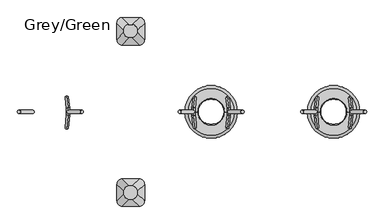
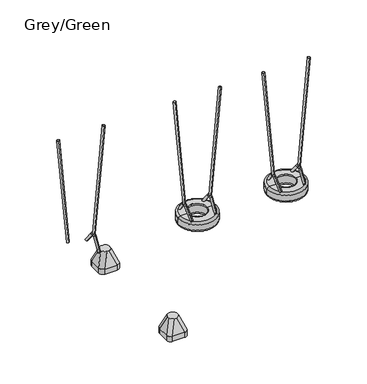
"""IFC4 building model written with IfcOpenShell, lengths in millimetres: furniture geometry, Grey/Green."""

from ifc_helpers import new_model, si_unit, point, frame, frame_2d, origin, place, context, project, spatial, circle_curve, ellipse_curve, trimmed, segment, composite_curve, outline, extrude, source, transform, mapped, element, save
from ifc_brep_helpers import plane_surface, cylinder_surface, revolved_surface, extruded_surface, advanced_brep


def grey_green_7bcf484c(model_context):
    return source(origin(), model_context, "Body", "SolidModel", [
        advanced_brep(
        [(1488.0, 727.5, -604.0), (1428.0, 787.5, -604.0), (1428.0, 967.5, -604.0), (1488.0, 1027.5, -604.0), (1668.0, 1027.5, -604.0), (1728.0, 967.5, -604.0), (1728.0, 787.5, -604.0), (1668.0, 727.5, -604.0), (1668.0, 727.5, -526.0689494), (1488.0, 727.5, -526.0689494), (1728.0, 967.5, -526.0689494), (1728.0, 787.5, -526.0689494), (1488.0, 1027.5, -526.0689494), (1668.0, 1027.5, -526.0689494), (1428.0, 787.5, -526.0689494), (1428.0, 967.5, -526.0689494), (1586.9540451, 806.0510597, -316.0689494), (1646.9540451, 866.0510597, -316.0689494), (1646.9540451, 891.0510597, -316.0689494), (1586.9540451, 951.0510597, -316.0689494), (1561.9540451, 951.0510597, -316.0689494), (1501.9540451, 891.0510597, -316.0689494), (1501.9540451, 866.0510597, -316.0689494), (1561.9540451, 806.0510597, -316.0689494)],
        [
            (0, 1, circle_curve(frame((1488.0, 787.5, -604.0), z_axis=(0.0, 0.0, -1.0), x_axis=(-1.0, 0.0, 0.0)), 60.0)),
            (1, 2),
            (2, 3, circle_curve(frame((1488.0, 967.5, -604.0), z_axis=(0.0, 0.0, -1.0), x_axis=(-1.0, 0.0, 0.0)), 60.0)),
            (3, 4),
            (4, 5, circle_curve(frame((1668.0, 967.5, -604.0), z_axis=(0.0, 0.0, -1.0), x_axis=(-1.0, 0.0, 0.0)), 60.0)),
            (5, 6),
            (6, 7, circle_curve(frame((1668.0, 787.5, -604.0), z_axis=(0.0, 0.0, -1.0), x_axis=(-1.0, 0.0, 0.0)), 60.0)),
            (7, 0),
            (7, 8),
            (8, 9),
            (9, 0),
            (5, 10),
            (10, 11),
            (11, 6),
            (3, 12),
            (12, 13),
            (13, 4),
            (1, 14),
            (14, 15),
            (15, 2),
            (16, 17, circle_curve(frame((1586.9540451, 866.0510597, -316.0689494), z_axis=(0.0, 0.0, 1.0), x_axis=(-1.0, 0.0, 0.0)), 60.0)),
            (17, 18),
            (18, 19, circle_curve(frame((1586.9540451, 891.0510597, -316.0689494), z_axis=(0.0, 0.0, 1.0), x_axis=(-1.0, 0.0, 0.0)), 60.0)),
            (19, 20),
            (20, 21, circle_curve(frame((1561.9540451, 891.0510597, -316.0689494), z_axis=(0.0, 0.0, 1.0), x_axis=(-1.0, 0.0, 0.0)), 60.0)),
            (21, 22),
            (22, 23, circle_curve(frame((1561.9540451, 866.0510597, -316.0689494), z_axis=(0.0, 0.0, 1.0), x_axis=(-1.0, 0.0, 0.0)), 60.0)),
            (23, 16),
            (17, 11),
            (10, 18),
            (19, 13),
            (12, 20),
            (21, 15),
            (14, 22),
            (23, 9),
            (8, 16),
            (11, 8, circle_curve(frame((1668.0, 787.5, -526.0689494), z_axis=(0.0, 0.0, -1.0), x_axis=(-1.0, 0.0, 0.0)), 60.0)),
            (13, 10, circle_curve(frame((1668.0, 967.5, -526.0689494), z_axis=(0.0, 0.0, -1.0), x_axis=(-1.0, 0.0, 0.0)), 60.0)),
            (15, 12, circle_curve(frame((1488.0, 967.5, -526.0689494), z_axis=(0.0, 0.0, -1.0), x_axis=(-1.0, 0.0, 0.0)), 60.0)),
            (9, 14, circle_curve(frame((1488.0, 787.5, -526.0689494), z_axis=(0.0, 0.0, -1.0), x_axis=(-1.0, 0.0, 0.0)), 60.0)),
        ],
        [
            plane_surface(frame((1754.6329682, 727.5, -604.0), z_axis=(0.0, 0.0, -1.0), x_axis=(-1.0, 0.0, 0.0))),
            plane_surface(frame((1488.0, 727.5, -526.0689494), z_axis=(0.0, -1.0, 0.0), x_axis=(0.0, 0.0, -1.0))),
            plane_surface(frame((1728.0, 787.5, -526.0689494), z_axis=(1.0, 0.0, 0.0), x_axis=(0.0, 0.0, -1.0))),
            plane_surface(frame((1668.0, 1027.5, -526.0689494), z_axis=(0.0, 1.0, 0.0), x_axis=(0.0, 0.0, -1.0))),
            plane_surface(frame((1428.0, 967.5, -526.0689494), z_axis=(-1.0, 0.0, 0.0), x_axis=(0.0, 0.0, -1.0))),
            plane_surface(frame((1574.4540451, 878.5510597, -316.0689494), z_axis=(0.0, 0.0, 1.0), x_axis=(1.0, 0.0, 0.0))),
            plane_surface(frame((1728.0, 877.5, -526.0689494), z_axis=(0.9329330935587706, 0.0, 0.36004977842357055), x_axis=(0.0, 1.0, 0.0))),
            plane_surface(frame((1578.0, 1027.5, -526.0689494), z_axis=(0.0, 0.9396707723277333, 0.34208016550656856), x_axis=(-1.0, 0.0, 0.0))),
            plane_surface(frame((1428.0, 877.5, -526.0689494), z_axis=(-0.9432207285248213, 0.0, 0.33216661072586046), x_axis=(0.0, -1.0, 0.0))),
            plane_surface(frame((1578.0, 727.5, -526.0689494), z_axis=(0.0, -0.9366205672401335, 0.35034541958297477), x_axis=(1.0, 0.0, 0.0))),
            cylinder_surface(frame((1668.0, 787.5, -604.0), z_axis=(0.0, 0.0, 1.0), x_axis=(-1.0, 0.0, 0.0)), 60.0),
            cylinder_surface(frame((1668.0, 967.5, -604.0), z_axis=(0.0, 0.0, 1.0), x_axis=(-1.0, 0.0, 0.0)), 60.0),
            cylinder_surface(frame((1488.0, 967.5, -604.0), z_axis=(0.0, 0.0, 1.0), x_axis=(-1.0, 0.0, 0.0)), 60.0),
            cylinder_surface(frame((1488.0, 787.5, -604.0), z_axis=(0.0, 0.0, 1.0), x_axis=(-1.0, 0.0, 0.0)), 60.0),
            extruded_surface(trimmed(circle_curve(frame((1668.0, 787.5, -526.0689494), z_axis=(0.0, 0.0, 1.0), x_axis=(-1.0, 0.0, 0.0)), 60.0), [point((1668.0, 727.5, -526.0689494))], [point((1728.0, 787.5, -526.0689494))], True, "CARTESIAN"), (-81.04595489999997, 78.5510597, 209.99999999999994), 238.40871583406042),
            extruded_surface(trimmed(circle_curve(frame((1488.0, 787.5, -526.0689494), z_axis=(0.0, 0.0, 1.0), x_axis=(-1.0, 0.0, 0.0)), 60.0), [point((1428.0, 787.5, -526.0689494))], [point((1488.0, 727.5, -526.0689494))], True, "CARTESIAN"), (73.95404510000003, 78.5510597, 209.99999999999994), 236.0920790002193),
            extruded_surface(trimmed(circle_curve(frame((1668.0, 967.5, -526.0689494), z_axis=(0.0, 0.0, 1.0), x_axis=(-1.0, 0.0, 0.0)), 60.0), [point((1728.0, 967.5, -526.0689494))], [point((1668.0, 1027.5, -526.0689494))], True, "CARTESIAN"), (-81.04595489999997, -76.4489403, 209.99999999999994), 237.72439352882105),
            extruded_surface(trimmed(circle_curve(frame((1488.0, 967.5, -526.0689494), z_axis=(0.0, 0.0, 1.0), x_axis=(-1.0, 0.0, 0.0)), 60.0), [point((1488.0, 1027.5, -526.0689494))], [point((1428.0, 967.5, -526.0689494))], True, "CARTESIAN"), (73.95404510000003, -76.4489403, 209.99999999999994), 235.4010222145303),
        ],
        [
            (0, [[1, 2, 3, 4, 5, 6, 7, 8]]),
            (1, [[-8, 9, 10, 11]]),
            (2, [[-6, 12, 13, 14]]),
            (3, [[-4, 15, 16, 17]]),
            (4, [[-2, 18, 19, 20]]),
            (5, [[21, 22, 23, 24, 25, 26, 27, 28]]),
            (6, [[-22, 29, -13, 30]]),
            (7, [[-24, 31, -16, 32]]),
            (8, [[-26, 33, -19, 34]]),
            (9, [[-28, 35, -10, 36]]),
            (10, [[-7, -14, 37, -9]]),
            (11, [[-5, -17, 38, -12]]),
            (12, [[-3, -20, 39, -15]]),
            (13, [[-1, -11, 40, -18]]),
            (14, [[-21, -36, -37, -29]]),
            (15, [[-27, -34, -40, -35]]),
            (16, [[-23, -30, -38, -31]]),
            (17, [[-25, -32, -39, -33]]),
        ],
    ),
        extrude(outline(composite_curve([segment(trimmed(circle_curve(frame_2d((1.4321269, 0.0)), 18.0), [point((1.4321269, 18.0))], [point((1.4321269, -18.0))], False, "CARTESIAN"), True, "CONTINUOUS"), segment(trimmed(circle_curve(frame_2d((1.4321269, 0.0)), 18.0), [point((1.4321269, -18.0))], [point((1.4321269, 18.0))], False, "CARTESIAN"), True, "CONTINUOUS")], self_intersect=False)), frame((3587.1509993, 0.0, 686.6778156), z_axis=(-0.08715574274765649, 0.0, 0.9961946980917457), x_axis=(-0.9961946980917457, 0.0, -0.08715574274765649)), (0.0, 0.0, 1.0), 1665.0),
        extrude(outline(composite_curve([segment(trimmed(circle_curve(frame_2d((1.4321269, 0.0)), 18.0), [point((1.4321269, 18.0))], [point((1.4321269, -18.0))], False, "CARTESIAN"), True, "CONTINUOUS"), segment(trimmed(circle_curve(frame_2d((1.4321269, 0.0)), 18.0), [point((1.4321269, -18.0))], [point((1.4321269, 18.0))], False, "CARTESIAN"), True, "CONTINUOUS")], self_intersect=False)), frame((3973.8490007, 0.0, 686.6778156), z_axis=(0.08715574274767696, 0.0, 0.9961946980917439), x_axis=(0.9961946980917439, 0.0, -0.08715574274767696)), (0.0, 0.0, 1.0), 1665.0),
        advanced_brep(
        [(3958.343913, 171.5929238, 509.453853), (3956.4556542, 142.8420454, 487.8709553), (3970.3767884, 22.4790408, 646.9902475), (3972.2650472, 51.2299192, 668.5731452), (3958.0847991, -188.6337903, 506.4921669), (3956.0263438, -161.4642454, 482.9639159), (3972.5557994, -44.3008039, 671.896457), (3970.4973441, -17.131259, 648.3682061)],
        [
            (0, 1, circle_curve(frame((3957.3997836, 157.2174846, 498.6624042), z_axis=(-0.06960567106284149, 0.6018150231520505, -0.7955964608169073), x_axis=(-0.05245163533952736, -0.7986355100472913, -0.5995249352960328)), 18.0)),
            (1, 0, circle_curve(frame((3957.3997836, 157.2174846, 498.6624042), z_axis=(-0.06960567106284149, 0.6018150231520505, -0.7955964608169073), x_axis=(-0.05245163533952736, -0.7986355100472913, -0.5995249352960328)), 18.0)),
            (1, 2),
            (2, 3, circle_curve(frame((3971.3209178, 36.85448, 657.7816963), z_axis=(-0.06960567106284149, 0.6018150231520505, -0.7955964608169073), x_axis=(-0.05245163533952736, -0.7986355100472913, -0.5995249352960328)), 18.0)),
            (3, 0),
            (3, 2, circle_curve(frame((3971.3209178, 36.85448, 657.7816963), z_axis=(-0.06960567106284149, 0.6018150231520505, -0.7955964608169073), x_axis=(-0.05245163533952736, -0.7986355100472913, -0.5995249352960328)), 18.0)),
            (4, 5, circle_curve(frame((3957.0555715, -175.0490178, 494.7280414), z_axis=(-0.06577727402310152, -0.6560590289905275, -0.7518376824169539), x_axis=(-0.0571793119579891, 0.7547095802227545, -0.6535625263155811)), 18.0)),
            (5, 4, circle_curve(frame((3957.0555715, -175.0490178, 494.7280414), z_axis=(-0.06577727402310152, -0.6560590289905275, -0.7518376824169539), x_axis=(-0.0571793119579891, 0.7547095802227545, -0.6535625263155811)), 18.0)),
            (6, 7, circle_curve(frame((3971.5265717, -30.7160315, 660.1323315), z_axis=(-0.06577727402310152, -0.6560590289905275, -0.7518376824169539), x_axis=(-0.0571793119579891, 0.7547095802227545, -0.6535625263155811)), 18.0)),
            (7, 5),
            (4, 6),
            (7, 6, circle_curve(frame((3971.5265717, -30.7160315, 660.1323315), z_axis=(-0.06577727402310152, -0.6560590289905275, -0.7518376824169539), x_axis=(-0.0571793119579891, 0.7547095802227545, -0.6535625263155811)), 18.0)),
            (7, 2, circle_curve(frame((3969.0392717, 2.1138353, 631.7023617), z_axis=(-0.9961946980917439, 0.0, 0.08715574274767696), x_axis=(0.0524516353395274, 0.7986355100472908, 0.5995249352960332)), 25.5)),
            (3, 6, circle_curve(frame((3969.0392717, 2.1138353, 631.7023617), z_axis=(0.9961946980917439, 0.0, -0.08715574274767696), x_axis=(0.0524516353395274, 0.7986355100472908, 0.5995249352960332)), 61.5)),
        ],
        [
            plane_surface(frame((3957.3997836, 157.2174846, 498.6624042), z_axis=(-0.06960567106284149, 0.6018150231520504, -0.7955964608169073), x_axis=(0.9961946980917439, 0.0, -0.08715574274767696))),
            cylinder_surface(frame((3957.3997836, 157.2174846, 498.6624042), z_axis=(-0.06960567106284149, 0.6018150231520505, -0.7955964608169073), x_axis=(-0.05245163533952736, -0.7986355100472913, -0.5995249352960328)), 18.0),
            plane_surface(frame((3957.0555715, -175.0490178, 494.7280414), z_axis=(-0.06577727402310148, -0.6560590289905277, -0.7518376824169536), x_axis=(0.9961946980917439, 0.0, -0.08715574274767686))),
            cylinder_surface(frame((3971.5265717, -30.7160315, 660.1323315), z_axis=(0.0657772740231015, 0.6560590289905274, 0.7518376824169537), x_axis=(-0.0571793119579891, 0.7547095802227545, -0.6535625263155811)), 18.0),
            revolved_surface(trimmed(ellipse_curve(frame((3971.3209178, 36.85448, 657.7816963), z_axis=(-0.06960567106284156, 0.6018150231520512, -0.7955964608169066), x_axis=(-0.05245163533952739, -0.7986355100472906, -0.5995249352960335)), 18.0, 18.0), [point((3972.2650472, 51.2299192, 668.5731452))], [point((3970.3767884, 22.4790408, 646.9902475))], True, "CARTESIAN"), (3969.0392717, 2.1138353, 631.7023617), (0.9961946980917439, 0.0, -0.08715574274767696)),
            revolved_surface(trimmed(ellipse_curve(frame((3971.3209178, 36.85448, 657.7816963), z_axis=(-0.06960567106284156, 0.6018150231520512, -0.7955964608169066), x_axis=(-0.05245163533952739, -0.7986355100472906, -0.5995249352960335)), 18.0, 18.0), [point((3970.3767884, 22.4790408, 646.9902475))], [point((3972.2650472, 51.2299192, 668.5731452))], True, "CARTESIAN"), (3969.0392717, 2.1138353, 631.7023617), (0.9961946980917439, 0.0, -0.08715574274767696)),
        ],
        [
            (0, [[1, 2]]),
            (1, [[-2, 3, 4, 5]]),
            (1, [[-1, -5, 6, -3]]),
            (2, [[7, 8]]),
            (3, [[9, 10, -7, 11]]),
            (3, [[12, -11, -8, -10]]),
            (4, [[13, -6, 14, -12]]),
            (5, [[-14, -4, -13, -9]]),
        ],
    ),
        advanced_brep(
        [(3604.5435586, 142.8352389, 487.8799535), (3602.6552997, 171.5861173, 509.4628511), (3590.6224244, 22.4722343, 646.9992456), (3588.7341655, 51.2231127, 668.5821433), (3604.9729122, -161.4568254, 482.9724192), (3602.914457, -188.6263703, 506.5006701), (3588.4434567, -44.2933839, 671.9049602), (3590.5019119, -17.123839, 648.3767093)],
        [
            (0, 1, circle_curve(frame((3603.5994292, 157.2106781, 498.6714023), z_axis=(0.06960567106282514, 0.6018150231520504, -0.7955964608169089), x_axis=(-0.052451635339515044, 0.7986355100472914, 0.5995249352960337)), 18.0)),
            (1, 0, circle_curve(frame((3603.5994292, 157.2106781, 498.6714023), z_axis=(0.06960567106282514, 0.6018150231520504, -0.7955964608169089), x_axis=(-0.052451635339515044, 0.7986355100472914, 0.5995249352960337)), 18.0)),
            (0, 2),
            (2, 3, circle_curve(frame((3589.678295, 36.8476735, 657.7906945), z_axis=(0.06960567106282514, 0.6018150231520504, -0.7955964608169089), x_axis=(-0.052451635339515044, 0.7986355100472914, 0.5995249352960337)), 18.0)),
            (3, 1),
            (3, 2, circle_curve(frame((3589.678295, 36.8476735, 657.7906945), z_axis=(0.06960567106282514, 0.6018150231520504, -0.7955964608169089), x_axis=(-0.052451635339515044, 0.7986355100472914, 0.5995249352960337)), 18.0)),
            (4, 5, circle_curve(frame((3603.9436846, -175.0415979, 494.7365446), z_axis=(0.06577727402308613, -0.6560590289905281, -0.7518376824169546), x_axis=(-0.05717931195797577, -0.754709580222754, 0.653562526315583)), 18.0)),
            (5, 4, circle_curve(frame((3603.9436846, -175.0415979, 494.7365446), z_axis=(0.06577727402308613, -0.6560590289905281, -0.7518376824169546), x_axis=(-0.05717931195797577, -0.754709580222754, 0.653562526315583)), 18.0)),
            (6, 7, circle_curve(frame((3589.4726843, -30.7086115, 660.1408348), z_axis=(0.06577727402308613, -0.6560590289905281, -0.7518376824169546), x_axis=(-0.05717931195797577, -0.754709580222754, 0.653562526315583)), 18.0)),
            (7, 4),
            (5, 6),
            (7, 6, circle_curve(frame((3589.4726843, -30.7086115, 660.1408348), z_axis=(0.06577727402308613, -0.6560590289905281, -0.7518376824169546), x_axis=(-0.05717931195797577, -0.754709580222754, 0.653562526315583)), 18.0)),
            (6, 3, circle_curve(frame((3591.9594607, 2.1143432, 631.7168506), z_axis=(-0.9961946980917457, 0.0, -0.08715574274765649), x_axis=(-0.05245163533951502, 0.7986355100472914, 0.5995249352960336)), 61.4908414)),
            (2, 7, circle_curve(frame((3591.9594607, 2.1143432, 631.7168506), z_axis=(0.9961946980917457, 0.0, 0.08715574274765649), x_axis=(-0.05245163533951502, 0.7986355100472914, 0.5995249352960336)), 25.4908414)),
        ],
        [
            plane_surface(frame((3603.5994292, 157.2106781, 498.6714023), z_axis=(0.06960567106282513, 0.6018150231520503, -0.7955964608169087), x_axis=(-0.9961946980917457, 0.0, -0.08715574274765646))),
            cylinder_surface(frame((3603.5994292, 157.2106781, 498.6714023), z_axis=(0.06960567106282513, 0.6018150231520503, -0.7955964608169087), x_axis=(-0.052451635339515044, 0.7986355100472914, 0.5995249352960337)), 18.0),
            plane_surface(frame((3603.9436846, -175.0415979, 494.7365446), z_axis=(0.06577727402308613, -0.6560590289905281, -0.7518376824169546), x_axis=(-0.9961946980917457, 0.0, -0.08715574274765645))),
            cylinder_surface(frame((3589.4726843, -30.7086115, 660.1408348), z_axis=(-0.06577727402308613, 0.6560590289905281, 0.7518376824169546), x_axis=(-0.05717931195797577, -0.754709580222754, 0.653562526315583)), 18.0),
            revolved_surface(trimmed(ellipse_curve(frame((3589.678295, 36.8476735, 657.7906945), z_axis=(0.0696056710628252, 0.6018150231520499, -0.7955964608169088), x_axis=(-0.05245163533951503, 0.7986355100472915, 0.5995249352960333)), 18.0, 18.0), [point((3590.6224244, 22.4722343, 646.9992456))], [point((3588.7341655, 51.2231127, 668.5821433))], True, "CARTESIAN"), (3591.9594607, 2.1143432, 631.7168506), (0.9961946980917457, 0.0, 0.08715574274765649)),
            revolved_surface(trimmed(ellipse_curve(frame((3589.678295, 36.8476735, 657.7906945), z_axis=(0.0696056710628252, 0.6018150231520499, -0.7955964608169088), x_axis=(-0.05245163533951503, 0.7986355100472915, 0.5995249352960333)), 18.0, 18.0), [point((3588.7341655, 51.2231127, 668.5821433))], [point((3590.6224244, 22.4722343, 646.9992456))], True, "CARTESIAN"), (3591.9594607, 2.1143432, 631.7168506), (0.9961946980917457, 0.0, 0.08715574274765649)),
        ],
        [
            (0, [[1, 2]]),
            (1, [[-1, 3, 4, 5]]),
            (1, [[-2, -5, 6, -3]]),
            (2, [[7, 8]]),
            (3, [[9, 10, -8, 11]]),
            (3, [[12, -11, -7, -10]]),
            (4, [[13, -4, 14, -9]]),
            (5, [[-14, -6, -13, -12]]),
        ],
    ),
        advanced_brep(
        [(3494.8165246, 0.0, 390.0), (4066.1834754, 0.0, 390.0), (4036.1834754, 0.0, 360.0), (3524.8165246, 0.0, 360.0), (3524.8165246, 0.0, 510.0), (4036.1834754, 0.0, 510.0), (4066.1834754, 0.0, 480.0), (3494.8165246, 0.0, 480.0), (3635.5, 0.0, 510.0), (3925.5, 0.0, 510.0), (3635.5, 0.0, 500.0), (3925.5, 0.0, 500.0), (3635.5, 0.0, 360.0), (3925.5, 0.0, 360.0), (3925.5, 0.0, 375.0), (3635.5, 0.0, 375.0)],
        [
            (0, 1, circle_curve(frame((3780.5, 0.0, 390.0), z_axis=(0.0, 0.0, -1.0), x_axis=(1.0, 0.0, 0.0)), 285.6834754)),
            (1, 2, circle_curve(frame((4036.1834754, 0.0, 390.0), z_axis=(0.0, 1.0, 0.0), x_axis=(1.0, 0.0, 0.0)), 30.0)),
            (2, 3, circle_curve(frame((3780.5, 0.0, 360.0), z_axis=(0.0, 0.0, 1.0), x_axis=(1.0, 0.0, 0.0)), 255.6834754)),
            (3, 0, circle_curve(frame((3524.8165246, 0.0, 390.0), z_axis=(0.0, 1.0, 0.0), x_axis=(-1.0, 0.0, 0.0)), 30.0)),
            (1, 0, circle_curve(frame((3780.5, 0.0, 390.0), z_axis=(0.0, 0.0, -1.0), x_axis=(1.0, 0.0, 0.0)), 285.6834754)),
            (3, 2, circle_curve(frame((3780.5, 0.0, 360.0), z_axis=(0.0, 0.0, 1.0), x_axis=(1.0, 0.0, 0.0)), 255.6834754)),
            (4, 5, circle_curve(frame((3780.5, 0.0, 510.0), z_axis=(0.0, 0.0, -1.0), x_axis=(1.0, 0.0, 0.0)), 255.6834754)),
            (5, 6, circle_curve(frame((4036.1834754, 0.0, 480.0), z_axis=(0.0, 1.0, 0.0), x_axis=(1.0, 0.0, 0.0)), 30.0)),
            (6, 7, circle_curve(frame((3780.5, 0.0, 480.0), z_axis=(0.0, 0.0, 1.0), x_axis=(1.0, 0.0, 0.0)), 285.6834754)),
            (7, 4, circle_curve(frame((3524.8165246, 0.0, 480.0), z_axis=(0.0, 1.0, 0.0), x_axis=(-1.0, 0.0, 0.0)), 30.0)),
            (5, 4, circle_curve(frame((3780.5, 0.0, 510.0), z_axis=(0.0, 0.0, -1.0), x_axis=(1.0, 0.0, 0.0)), 255.6834754)),
            (7, 6, circle_curve(frame((3780.5, 0.0, 480.0), z_axis=(0.0, 0.0, 1.0), x_axis=(1.0, 0.0, 0.0)), 285.6834754)),
            (8, 9, circle_curve(frame((3780.5, 0.0, 510.0), z_axis=(0.0, 0.0, -1.0), x_axis=(1.0, 0.0, 0.0)), 145.0)),
            (9, 5),
            (4, 8),
            (9, 8, circle_curve(frame((3780.5, 0.0, 510.0), z_axis=(0.0, 0.0, -1.0), x_axis=(1.0, 0.0, 0.0)), 145.0)),
            (10, 11, circle_curve(frame((3780.5, 0.0, 500.0), z_axis=(0.0, 0.0, -1.0), x_axis=(1.0, 0.0, 0.0)), 145.0)),
            (11, 9, circle_curve(frame((3925.5, 0.0, 505.0), z_axis=(0.0, 1.0, 0.0), x_axis=(1.0, 0.0, 0.0)), 5.0)),
            (8, 10, circle_curve(frame((3635.5, 0.0, 505.0), z_axis=(0.0, 1.0, 0.0), x_axis=(-1.0, 0.0, 0.0)), 5.0)),
            (11, 10, circle_curve(frame((3780.5, 0.0, 500.0), z_axis=(0.0, 0.0, -1.0), x_axis=(1.0, 0.0, 0.0)), 145.0)),
            (12, 13, circle_curve(frame((3780.5, 0.0, 360.0), z_axis=(0.0, 0.0, -1.0), x_axis=(1.0, 0.0, 0.0)), 145.0)),
            (13, 14, circle_curve(frame((3929.3250415, 0.0, 367.5), z_axis=(0.0, 1.0, 0.0), x_axis=(1.0, 0.0, 0.0)), 8.4190821)),
            (14, 15, circle_curve(frame((3780.5, 0.0, 375.0), z_axis=(0.0, 0.0, 1.0), x_axis=(1.0, 0.0, 0.0)), 145.0)),
            (15, 12, circle_curve(frame((3631.6749585, 0.0, 367.5), z_axis=(0.0, 1.0, 0.0), x_axis=(-1.0, 0.0, 0.0)), 8.4190821)),
            (13, 12, circle_curve(frame((3780.5, 0.0, 360.0), z_axis=(0.0, 0.0, -1.0), x_axis=(1.0, 0.0, 0.0)), 145.0)),
            (15, 14, circle_curve(frame((3780.5, 0.0, 375.0), z_axis=(0.0, 0.0, 1.0), x_axis=(1.0, 0.0, 0.0)), 145.0)),
            (2, 13),
            (12, 3),
            (6, 1),
            (0, 7),
            (14, 11, circle_curve(frame((3925.5, 0.0, 437.5), z_axis=(0.0, -1.0, 0.0), x_axis=(-1.0, 0.0, 0.0)), 62.5)),
            (10, 15, circle_curve(frame((3635.5, 0.0, 437.5), z_axis=(0.0, -1.0, 0.0), x_axis=(1.0, 0.0, 0.0)), 62.5)),
        ],
        [
            revolved_surface(trimmed(ellipse_curve(frame((4036.1834754, 0.0, 390.0), z_axis=(0.0, -1.0, 0.0), x_axis=(1.0, 0.0, 0.0)), 30.0, 30.0), [point((4036.1834754, 0.0, 360.0))], [point((4066.1834754, 0.0, 390.0))], True, "CARTESIAN"), (3780.5, 0.0, 2969.0581012), (0.0, 0.0, 1.0)),
            revolved_surface(trimmed(ellipse_curve(frame((4036.1834754, 0.0, 480.0), z_axis=(0.0, -1.0, 0.0), x_axis=(1.0, 0.0, 0.0)), 30.0, 30.0), [point((4066.1834754, 0.0, 480.0))], [point((4036.1834754, 0.0, 510.0))], True, "CARTESIAN"), (3780.5, 0.0, 2969.0581012), (0.0, 0.0, 1.0)),
            plane_surface(frame((3780.5, 0.0, 510.0), z_axis=(0.0, 0.0, 1.0), x_axis=(1.0, 0.0, 0.0))),
            revolved_surface(trimmed(ellipse_curve(frame((3925.5, 0.0, 505.0), z_axis=(0.0, -1.0, 0.0), x_axis=(1.0, 0.0, 0.0)), 5.0, 5.0), [point((3925.5, 0.0, 510.0))], [point((3925.5, 0.0, 500.0))], True, "CARTESIAN"), (3780.5, 0.0, 2969.0581012), (0.0, 0.0, 1.0)),
            revolved_surface(trimmed(ellipse_curve(frame((3929.3250415, 0.0, 367.5), z_axis=(0.0, -1.0, 0.0), x_axis=(1.0, 0.0, 0.0)), 8.4190821, 8.4190821), [point((3925.5, 0.0, 375.0))], [point((3925.5, 0.0, 360.0))], True, "CARTESIAN"), (3780.5, 0.0, 2969.0581012), (0.0, 0.0, 1.0)),
            plane_surface(frame((3780.5, 0.0, 360.0), z_axis=(0.0, 0.0, -1.0), x_axis=(1.0, 0.0, 0.0))),
            cylinder_surface(frame((3780.5, 0.0, 2969.0581012), z_axis=(0.0, 0.0, 1.0), x_axis=(1.0, 0.0, 0.0)), 285.6834754),
            revolved_surface(trimmed(ellipse_curve(frame((3925.5, 0.0, 437.5), z_axis=(0.0, 1.0, 0.0), x_axis=(-1.0, 0.0, 0.0)), 62.5, 62.5), [point((3925.5, 0.0, 500.0))], [point((3925.5, 0.0, 375.0))], True, "CARTESIAN"), (3780.5, 0.0, 2969.0581012), (0.0, 0.0, 1.0)),
        ],
        [
            (0, [[1, 2, 3, 4]]),
            (0, [[5, -4, 6, -2]]),
            (1, [[7, 8, 9, 10]]),
            (1, [[11, -10, 12, -8]]),
            (2, [[13, 14, -7, 15]]),
            (2, [[16, -15, -11, -14]]),
            (3, [[17, 18, -13, 19]]),
            (3, [[20, -19, -16, -18]]),
            (4, [[21, 22, 23, 24]]),
            (4, [[25, -24, 26, -22]]),
            (5, [[-3, 27, -21, 28]]),
            (5, [[-6, -28, -25, -27]]),
            (6, [[-9, 29, -1, 30]]),
            (6, [[-12, -30, -5, -29]]),
            (7, [[-23, 31, -17, 32]]),
            (7, [[-26, -32, -20, -31]]),
        ],
    ),
        extrude(outline(composite_curve([segment(trimmed(circle_curve(frame_2d((1.4321269, 0.0)), 18.0), [point((1.4321269, 18.0))], [point((1.4321269, -18.0))], False, "CARTESIAN"), True, "CONTINUOUS"), segment(trimmed(circle_curve(frame_2d((1.4321269, 0.0)), 18.0), [point((1.4321269, -18.0))], [point((1.4321269, 18.0))], False, "CARTESIAN"), True, "CONTINUOUS")], self_intersect=False)), frame((2257.1509993, 0.0, 686.6778156), z_axis=(-0.08715574274765649, 0.0, 0.9961946980917457), x_axis=(-0.9961946980917457, 0.0, -0.08715574274765649)), (0.0, 0.0, 1.0), 1665.0),
        extrude(outline(composite_curve([segment(trimmed(circle_curve(frame_2d((1.4321269, 0.0)), 18.0), [point((1.4321269, 18.0))], [point((1.4321269, -18.0))], False, "CARTESIAN"), True, "CONTINUOUS"), segment(trimmed(circle_curve(frame_2d((1.4321269, 0.0)), 18.0), [point((1.4321269, -18.0))], [point((1.4321269, 18.0))], False, "CARTESIAN"), True, "CONTINUOUS")], self_intersect=False)), frame((2643.8490007, 0.0, 686.6778156), z_axis=(0.08715574274767696, 0.0, 0.9961946980917439), x_axis=(0.9961946980917439, 0.0, -0.08715574274767696)), (0.0, 0.0, 1.0), 1665.0),
        advanced_brep(
        [(2628.343913, 171.5929238, 509.453853), (2626.4556542, 142.8420454, 487.8709553), (2640.3767884, 22.4790408, 646.9902475), (2642.2650472, 51.2299192, 668.5731452), (2628.0847991, -188.6337903, 506.4921669), (2626.0263438, -161.4642454, 482.9639159), (2642.5557994, -44.3008039, 671.896457), (2640.4973441, -17.131259, 648.3682061)],
        [
            (0, 1, circle_curve(frame((2627.3997836, 157.2174846, 498.6624042), z_axis=(-0.06960567106284149, 0.6018150231520505, -0.7955964608169073), x_axis=(-0.05245163533952736, -0.7986355100472913, -0.5995249352960328)), 18.0)),
            (1, 0, circle_curve(frame((2627.3997836, 157.2174846, 498.6624042), z_axis=(-0.06960567106284149, 0.6018150231520505, -0.7955964608169073), x_axis=(-0.05245163533952736, -0.7986355100472913, -0.5995249352960328)), 18.0)),
            (1, 2),
            (2, 3, circle_curve(frame((2641.3209178, 36.85448, 657.7816963), z_axis=(-0.06960567106284149, 0.6018150231520505, -0.7955964608169073), x_axis=(-0.05245163533952736, -0.7986355100472913, -0.5995249352960328)), 18.0)),
            (3, 0),
            (3, 2, circle_curve(frame((2641.3209178, 36.85448, 657.7816963), z_axis=(-0.06960567106284149, 0.6018150231520505, -0.7955964608169073), x_axis=(-0.05245163533952736, -0.7986355100472913, -0.5995249352960328)), 18.0)),
            (4, 5, circle_curve(frame((2627.0555715, -175.0490178, 494.7280414), z_axis=(-0.06577727402310152, -0.6560590289905275, -0.7518376824169539), x_axis=(-0.0571793119579891, 0.7547095802227545, -0.6535625263155811)), 18.0)),
            (5, 4, circle_curve(frame((2627.0555715, -175.0490178, 494.7280414), z_axis=(-0.06577727402310152, -0.6560590289905275, -0.7518376824169539), x_axis=(-0.0571793119579891, 0.7547095802227545, -0.6535625263155811)), 18.0)),
            (6, 7, circle_curve(frame((2641.5265717, -30.7160315, 660.1323315), z_axis=(-0.06577727402310152, -0.6560590289905275, -0.7518376824169539), x_axis=(-0.0571793119579891, 0.7547095802227545, -0.6535625263155811)), 18.0)),
            (7, 5),
            (4, 6),
            (7, 6, circle_curve(frame((2641.5265717, -30.7160315, 660.1323315), z_axis=(-0.06577727402310152, -0.6560590289905275, -0.7518376824169539), x_axis=(-0.0571793119579891, 0.7547095802227545, -0.6535625263155811)), 18.0)),
            (7, 2, circle_curve(frame((2639.0392717, 2.1138353, 631.7023617), z_axis=(-0.9961946980917439, 0.0, 0.08715574274767696), x_axis=(0.0524516353395274, 0.7986355100472908, 0.5995249352960332)), 25.5)),
            (3, 6, circle_curve(frame((2639.0392717, 2.1138353, 631.7023617), z_axis=(0.9961946980917439, 0.0, -0.08715574274767696), x_axis=(0.0524516353395274, 0.7986355100472908, 0.5995249352960332)), 61.5)),
        ],
        [
            plane_surface(frame((2627.3997836, 157.2174846, 498.6624042), z_axis=(-0.06960567106284149, 0.6018150231520504, -0.7955964608169073), x_axis=(0.9961946980917439, 0.0, -0.08715574274767696))),
            cylinder_surface(frame((2627.3997836, 157.2174846, 498.6624042), z_axis=(-0.06960567106284149, 0.6018150231520505, -0.7955964608169073), x_axis=(-0.05245163533952736, -0.7986355100472913, -0.5995249352960328)), 18.0),
            plane_surface(frame((2627.0555715, -175.0490178, 494.7280414), z_axis=(-0.06577727402310148, -0.6560590289905277, -0.7518376824169536), x_axis=(0.9961946980917439, 0.0, -0.08715574274767686))),
            cylinder_surface(frame((2641.5265717, -30.7160315, 660.1323315), z_axis=(0.0657772740231015, 0.6560590289905274, 0.7518376824169537), x_axis=(-0.0571793119579891, 0.7547095802227545, -0.6535625263155811)), 18.0),
            revolved_surface(trimmed(ellipse_curve(frame((2641.3209178, 36.85448, 657.7816963), z_axis=(-0.06960567106284156, 0.6018150231520512, -0.7955964608169066), x_axis=(-0.05245163533952739, -0.7986355100472906, -0.5995249352960335)), 18.0, 18.0), [point((2642.2650472, 51.2299192, 668.5731452))], [point((2640.3767884, 22.4790408, 646.9902475))], True, "CARTESIAN"), (2639.0392717, 2.1138353, 631.7023617), (0.9961946980917439, 0.0, -0.08715574274767696)),
            revolved_surface(trimmed(ellipse_curve(frame((2641.3209178, 36.85448, 657.7816963), z_axis=(-0.06960567106284156, 0.6018150231520512, -0.7955964608169066), x_axis=(-0.05245163533952739, -0.7986355100472906, -0.5995249352960335)), 18.0, 18.0), [point((2640.3767884, 22.4790408, 646.9902475))], [point((2642.2650472, 51.2299192, 668.5731452))], True, "CARTESIAN"), (2639.0392717, 2.1138353, 631.7023617), (0.9961946980917439, 0.0, -0.08715574274767696)),
        ],
        [
            (0, [[1, 2]]),
            (1, [[-2, 3, 4, 5]]),
            (1, [[-1, -5, 6, -3]]),
            (2, [[7, 8]]),
            (3, [[9, 10, -7, 11]]),
            (3, [[12, -11, -8, -10]]),
            (4, [[13, -6, 14, -12]]),
            (5, [[-14, -4, -13, -9]]),
        ],
    ),
        advanced_brep(
        [(2274.5435586, 142.8352389, 487.8799535), (2272.6552997, 171.5861173, 509.4628511), (2260.6224244, 22.4722343, 646.9992456), (2258.7341655, 51.2231127, 668.5821433), (2274.9729122, -161.4568254, 482.9724192), (2272.914457, -188.6263703, 506.5006701), (2258.4434567, -44.2933839, 671.9049602), (2260.5019119, -17.123839, 648.3767093)],
        [
            (0, 1, circle_curve(frame((2273.5994292, 157.2106781, 498.6714023), z_axis=(0.06960567106282514, 0.6018150231520504, -0.7955964608169089), x_axis=(-0.052451635339515044, 0.7986355100472914, 0.5995249352960337)), 18.0)),
            (1, 0, circle_curve(frame((2273.5994292, 157.2106781, 498.6714023), z_axis=(0.06960567106282514, 0.6018150231520504, -0.7955964608169089), x_axis=(-0.052451635339515044, 0.7986355100472914, 0.5995249352960337)), 18.0)),
            (0, 2),
            (2, 3, circle_curve(frame((2259.678295, 36.8476735, 657.7906945), z_axis=(0.06960567106282514, 0.6018150231520504, -0.7955964608169089), x_axis=(-0.052451635339515044, 0.7986355100472914, 0.5995249352960337)), 18.0)),
            (3, 1),
            (3, 2, circle_curve(frame((2259.678295, 36.8476735, 657.7906945), z_axis=(0.06960567106282514, 0.6018150231520504, -0.7955964608169089), x_axis=(-0.052451635339515044, 0.7986355100472914, 0.5995249352960337)), 18.0)),
            (4, 5, circle_curve(frame((2273.9436846, -175.0415979, 494.7365446), z_axis=(0.06577727402308613, -0.6560590289905281, -0.7518376824169546), x_axis=(-0.05717931195797577, -0.754709580222754, 0.653562526315583)), 18.0)),
            (5, 4, circle_curve(frame((2273.9436846, -175.0415979, 494.7365446), z_axis=(0.06577727402308613, -0.6560590289905281, -0.7518376824169546), x_axis=(-0.05717931195797577, -0.754709580222754, 0.653562526315583)), 18.0)),
            (6, 7, circle_curve(frame((2259.4726843, -30.7086115, 660.1408348), z_axis=(0.06577727402308613, -0.6560590289905281, -0.7518376824169546), x_axis=(-0.05717931195797577, -0.754709580222754, 0.653562526315583)), 18.0)),
            (7, 4),
            (5, 6),
            (7, 6, circle_curve(frame((2259.4726843, -30.7086115, 660.1408348), z_axis=(0.06577727402308613, -0.6560590289905281, -0.7518376824169546), x_axis=(-0.05717931195797577, -0.754709580222754, 0.653562526315583)), 18.0)),
            (6, 3, circle_curve(frame((2261.9594607, 2.1143432, 631.7168506), z_axis=(-0.9961946980917457, 0.0, -0.08715574274765649), x_axis=(-0.05245163533951502, 0.7986355100472914, 0.5995249352960336)), 61.4908414)),
            (2, 7, circle_curve(frame((2261.9594607, 2.1143432, 631.7168506), z_axis=(0.9961946980917457, 0.0, 0.08715574274765649), x_axis=(-0.05245163533951502, 0.7986355100472914, 0.5995249352960336)), 25.4908414)),
        ],
        [
            plane_surface(frame((2273.5994292, 157.2106781, 498.6714023), z_axis=(0.06960567106282513, 0.6018150231520503, -0.7955964608169087), x_axis=(-0.9961946980917457, 0.0, -0.08715574274765646))),
            cylinder_surface(frame((2273.5994292, 157.2106781, 498.6714023), z_axis=(0.06960567106282513, 0.6018150231520503, -0.7955964608169087), x_axis=(-0.052451635339515044, 0.7986355100472914, 0.5995249352960337)), 18.0),
            plane_surface(frame((2273.9436846, -175.0415979, 494.7365446), z_axis=(0.06577727402308613, -0.6560590289905281, -0.7518376824169546), x_axis=(-0.9961946980917457, 0.0, -0.08715574274765645))),
            cylinder_surface(frame((2259.4726843, -30.7086115, 660.1408348), z_axis=(-0.06577727402308613, 0.6560590289905281, 0.7518376824169546), x_axis=(-0.05717931195797577, -0.754709580222754, 0.653562526315583)), 18.0),
            revolved_surface(trimmed(ellipse_curve(frame((2259.678295, 36.8476735, 657.7906945), z_axis=(0.0696056710628252, 0.6018150231520499, -0.7955964608169088), x_axis=(-0.05245163533951503, 0.7986355100472915, 0.5995249352960333)), 18.0, 18.0), [point((2260.6224244, 22.4722343, 646.9992456))], [point((2258.7341655, 51.2231127, 668.5821433))], True, "CARTESIAN"), (2261.9594607, 2.1143432, 631.7168506), (0.9961946980917457, 0.0, 0.08715574274765649)),
            revolved_surface(trimmed(ellipse_curve(frame((2259.678295, 36.8476735, 657.7906945), z_axis=(0.0696056710628252, 0.6018150231520499, -0.7955964608169088), x_axis=(-0.05245163533951503, 0.7986355100472915, 0.5995249352960333)), 18.0, 18.0), [point((2258.7341655, 51.2231127, 668.5821433))], [point((2260.6224244, 22.4722343, 646.9992456))], True, "CARTESIAN"), (2261.9594607, 2.1143432, 631.7168506), (0.9961946980917457, 0.0, 0.08715574274765649)),
        ],
        [
            (0, [[1, 2]]),
            (1, [[-1, 3, 4, 5]]),
            (1, [[-2, -5, 6, -3]]),
            (2, [[7, 8]]),
            (3, [[9, 10, -8, 11]]),
            (3, [[12, -11, -7, -10]]),
            (4, [[13, -4, 14, -9]]),
            (5, [[-14, -6, -13, -12]]),
        ],
    ),
        advanced_brep(
        [(2164.8165246, 0.0, 390.0), (2736.1834754, 0.0, 390.0), (2706.1834754, 0.0, 360.0), (2194.8165246, 0.0, 360.0), (2194.8165246, 0.0, 510.0), (2706.1834754, 0.0, 510.0), (2736.1834754, 0.0, 480.0), (2164.8165246, 0.0, 480.0), (2305.5, 0.0, 510.0), (2595.5, 0.0, 510.0), (2305.5, 0.0, 500.0), (2595.5, 0.0, 500.0), (2305.5, 0.0, 360.0), (2595.5, 0.0, 360.0), (2595.5, 0.0, 375.0), (2305.5, 0.0, 375.0)],
        [
            (0, 1, circle_curve(frame((2450.5, 0.0, 390.0), z_axis=(0.0, 0.0, -1.0), x_axis=(1.0, 0.0, 0.0)), 285.6834754)),
            (1, 2, circle_curve(frame((2706.1834754, 0.0, 390.0), z_axis=(0.0, 1.0, 0.0), x_axis=(1.0, 0.0, 0.0)), 30.0)),
            (2, 3, circle_curve(frame((2450.5, 0.0, 360.0), z_axis=(0.0, 0.0, 1.0), x_axis=(1.0, 0.0, 0.0)), 255.6834754)),
            (3, 0, circle_curve(frame((2194.8165246, 0.0, 390.0), z_axis=(0.0, 1.0, 0.0), x_axis=(-1.0, 0.0, 0.0)), 30.0)),
            (1, 0, circle_curve(frame((2450.5, 0.0, 390.0), z_axis=(0.0, 0.0, -1.0), x_axis=(1.0, 0.0, 0.0)), 285.6834754)),
            (3, 2, circle_curve(frame((2450.5, 0.0, 360.0), z_axis=(0.0, 0.0, 1.0), x_axis=(1.0, 0.0, 0.0)), 255.6834754)),
            (4, 5, circle_curve(frame((2450.5, 0.0, 510.0), z_axis=(0.0, 0.0, -1.0), x_axis=(1.0, 0.0, 0.0)), 255.6834754)),
            (5, 6, circle_curve(frame((2706.1834754, 0.0, 480.0), z_axis=(0.0, 1.0, 0.0), x_axis=(1.0, 0.0, 0.0)), 30.0)),
            (6, 7, circle_curve(frame((2450.5, 0.0, 480.0), z_axis=(0.0, 0.0, 1.0), x_axis=(1.0, 0.0, 0.0)), 285.6834754)),
            (7, 4, circle_curve(frame((2194.8165246, 0.0, 480.0), z_axis=(0.0, 1.0, 0.0), x_axis=(-1.0, 0.0, 0.0)), 30.0)),
            (5, 4, circle_curve(frame((2450.5, 0.0, 510.0), z_axis=(0.0, 0.0, -1.0), x_axis=(1.0, 0.0, 0.0)), 255.6834754)),
            (7, 6, circle_curve(frame((2450.5, 0.0, 480.0), z_axis=(0.0, 0.0, 1.0), x_axis=(1.0, 0.0, 0.0)), 285.6834754)),
            (8, 9, circle_curve(frame((2450.5, 0.0, 510.0), z_axis=(0.0, 0.0, -1.0), x_axis=(1.0, 0.0, 0.0)), 145.0)),
            (9, 5),
            (4, 8),
            (9, 8, circle_curve(frame((2450.5, 0.0, 510.0), z_axis=(0.0, 0.0, -1.0), x_axis=(1.0, 0.0, 0.0)), 145.0)),
            (10, 11, circle_curve(frame((2450.5, 0.0, 500.0), z_axis=(0.0, 0.0, -1.0), x_axis=(1.0, 0.0, 0.0)), 145.0)),
            (11, 9, circle_curve(frame((2595.5, 0.0, 505.0), z_axis=(0.0, 1.0, 0.0), x_axis=(1.0, 0.0, 0.0)), 5.0)),
            (8, 10, circle_curve(frame((2305.5, 0.0, 505.0), z_axis=(0.0, 1.0, 0.0), x_axis=(-1.0, 0.0, 0.0)), 5.0)),
            (11, 10, circle_curve(frame((2450.5, 0.0, 500.0), z_axis=(0.0, 0.0, -1.0), x_axis=(1.0, 0.0, 0.0)), 145.0)),
            (12, 13, circle_curve(frame((2450.5, 0.0, 360.0), z_axis=(0.0, 0.0, -1.0), x_axis=(1.0, 0.0, 0.0)), 145.0)),
            (13, 14, circle_curve(frame((2599.3250415, 0.0, 367.5), z_axis=(0.0, 1.0, 0.0), x_axis=(1.0, 0.0, 0.0)), 8.4190821)),
            (14, 15, circle_curve(frame((2450.5, 0.0, 375.0), z_axis=(0.0, 0.0, 1.0), x_axis=(1.0, 0.0, 0.0)), 145.0)),
            (15, 12, circle_curve(frame((2301.6749585, 0.0, 367.5), z_axis=(0.0, 1.0, 0.0), x_axis=(-1.0, 0.0, 0.0)), 8.4190821)),
            (13, 12, circle_curve(frame((2450.5, 0.0, 360.0), z_axis=(0.0, 0.0, -1.0), x_axis=(1.0, 0.0, 0.0)), 145.0)),
            (15, 14, circle_curve(frame((2450.5, 0.0, 375.0), z_axis=(0.0, 0.0, 1.0), x_axis=(1.0, 0.0, 0.0)), 145.0)),
            (2, 13),
            (12, 3),
            (6, 1),
            (0, 7),
            (14, 11, circle_curve(frame((2595.5, 0.0, 437.5), z_axis=(0.0, -1.0, 0.0), x_axis=(-1.0, 0.0, 0.0)), 62.5)),
            (10, 15, circle_curve(frame((2305.5, 0.0, 437.5), z_axis=(0.0, -1.0, 0.0), x_axis=(1.0, 0.0, 0.0)), 62.5)),
        ],
        [
            revolved_surface(trimmed(ellipse_curve(frame((2706.1834754, 0.0, 390.0), z_axis=(0.0, -1.0, 0.0), x_axis=(1.0, 0.0, 0.0)), 30.0, 30.0), [point((2706.1834754, 0.0, 360.0))], [point((2736.1834754, 0.0, 390.0))], True, "CARTESIAN"), (2450.5, 0.0, 2969.0581012), (0.0, 0.0, 1.0)),
            revolved_surface(trimmed(ellipse_curve(frame((2706.1834754, 0.0, 480.0), z_axis=(0.0, -1.0, 0.0), x_axis=(1.0, 0.0, 0.0)), 30.0, 30.0), [point((2736.1834754, 0.0, 480.0))], [point((2706.1834754, 0.0, 510.0))], True, "CARTESIAN"), (2450.5, 0.0, 2969.0581012), (0.0, 0.0, 1.0)),
            plane_surface(frame((2450.5, 0.0, 510.0), z_axis=(0.0, 0.0, 1.0), x_axis=(1.0, 0.0, 0.0))),
            revolved_surface(trimmed(ellipse_curve(frame((2595.5, 0.0, 505.0), z_axis=(0.0, -1.0, 0.0), x_axis=(1.0, 0.0, 0.0)), 5.0, 5.0), [point((2595.5, 0.0, 510.0))], [point((2595.5, 0.0, 500.0))], True, "CARTESIAN"), (2450.5, 0.0, 2969.0581012), (0.0, 0.0, 1.0)),
            revolved_surface(trimmed(ellipse_curve(frame((2599.3250415, 0.0, 367.5), z_axis=(0.0, -1.0, 0.0), x_axis=(1.0, 0.0, 0.0)), 8.4190821, 8.4190821), [point((2595.5, 0.0, 375.0))], [point((2595.5, 0.0, 360.0))], True, "CARTESIAN"), (2450.5, 0.0, 2969.0581012), (0.0, 0.0, 1.0)),
            plane_surface(frame((2450.5, 0.0, 360.0), z_axis=(0.0, 0.0, -1.0), x_axis=(1.0, 0.0, 0.0))),
            cylinder_surface(frame((2450.5, 0.0, 2969.0581012), z_axis=(0.0, 0.0, 1.0), x_axis=(1.0, 0.0, 0.0)), 285.6834754),
            revolved_surface(trimmed(ellipse_curve(frame((2595.5, 0.0, 437.5), z_axis=(0.0, 1.0, 0.0), x_axis=(-1.0, 0.0, 0.0)), 62.5, 62.5), [point((2595.5, 0.0, 500.0))], [point((2595.5, 0.0, 375.0))], True, "CARTESIAN"), (2450.5, 0.0, 2969.0581012), (0.0, 0.0, 1.0)),
        ],
        [
            (0, [[1, 2, 3, 4]]),
            (0, [[5, -4, 6, -2]]),
            (1, [[7, 8, 9, 10]]),
            (1, [[11, -10, 12, -8]]),
            (2, [[13, 14, -7, 15]]),
            (2, [[16, -15, -11, -14]]),
            (3, [[17, 18, -13, 19]]),
            (3, [[20, -19, -16, -18]]),
            (4, [[21, 22, 23, 24]]),
            (4, [[25, -24, 26, -22]]),
            (5, [[-3, 27, -21, 28]]),
            (5, [[-6, -28, -25, -27]]),
            (6, [[-9, 29, -1, 30]]),
            (6, [[-12, -30, -5, -29]]),
            (7, [[-23, 31, -17, 32]]),
            (7, [[-26, -32, -20, -31]]),
        ],
    ),
        advanced_brep(
        [(1488.0, -727.5, -604.0), (1668.0, -727.5, -604.0), (1728.0, -787.5, -604.0), (1728.0, -967.5, -604.0), (1668.0, -1027.5, -604.0), (1488.0, -1027.5, -604.0), (1428.0, -967.5, -604.0), (1428.0, -787.5, -604.0), (1488.0, -727.5, -526.0689494), (1668.0, -727.5, -526.0689494), (1728.0, -787.5, -526.0689494), (1728.0, -967.5, -526.0689494), (1668.0, -1027.5, -526.0689494), (1488.0, -1027.5, -526.0689494), (1428.0, -967.5, -526.0689494), (1428.0, -787.5, -526.0689494), (1586.9540451, -806.0510597, -316.0689494), (1561.9540451, -806.0510597, -316.0689494), (1501.9540451, -866.0510597, -316.0689494), (1501.9540451, -891.0510597, -316.0689494), (1561.9540451, -951.0510597, -316.0689494), (1586.9540451, -951.0510597, -316.0689494), (1646.9540451, -891.0510597, -316.0689494), (1646.9540451, -866.0510597, -316.0689494)],
        [
            (0, 1),
            (1, 2, circle_curve(frame((1668.0, -787.5, -604.0), z_axis=(0.0, 0.0, -1.0), x_axis=(-1.0, 0.0, 0.0)), 60.0)),
            (2, 3),
            (3, 4, circle_curve(frame((1668.0, -967.5, -604.0), z_axis=(0.0, 0.0, -1.0), x_axis=(-1.0, 0.0, 0.0)), 60.0)),
            (4, 5),
            (5, 6, circle_curve(frame((1488.0, -967.5, -604.0), z_axis=(0.0, 0.0, -1.0), x_axis=(-1.0, 0.0, 0.0)), 60.0)),
            (6, 7),
            (7, 0, circle_curve(frame((1488.0, -787.5, -604.0), z_axis=(0.0, 0.0, -1.0), x_axis=(-1.0, 0.0, 0.0)), 60.0)),
            (0, 8),
            (8, 9),
            (9, 1),
            (2, 10),
            (10, 11),
            (11, 3),
            (4, 12),
            (12, 13),
            (13, 5),
            (6, 14),
            (14, 15),
            (15, 7),
            (16, 17),
            (17, 18, circle_curve(frame((1561.9540451, -866.0510597, -316.0689494), z_axis=(0.0, 0.0, 1.0), x_axis=(-1.0, 0.0, 0.0)), 60.0)),
            (18, 19),
            (19, 20, circle_curve(frame((1561.9540451, -891.0510597, -316.0689494), z_axis=(0.0, 0.0, 1.0), x_axis=(-1.0, 0.0, 0.0)), 60.0)),
            (20, 21),
            (21, 22, circle_curve(frame((1586.9540451, -891.0510597, -316.0689494), z_axis=(0.0, 0.0, 1.0), x_axis=(-1.0, 0.0, 0.0)), 60.0)),
            (22, 23),
            (23, 16, circle_curve(frame((1586.9540451, -866.0510597, -316.0689494), z_axis=(0.0, 0.0, 1.0), x_axis=(-1.0, 0.0, 0.0)), 60.0)),
            (22, 11),
            (10, 23),
            (20, 13),
            (12, 21),
            (18, 15),
            (14, 19),
            (16, 9),
            (8, 17),
            (9, 10, circle_curve(frame((1668.0, -787.5, -526.0689494), z_axis=(0.0, 0.0, -1.0), x_axis=(-1.0, 0.0, 0.0)), 60.0)),
            (11, 12, circle_curve(frame((1668.0, -967.5, -526.0689494), z_axis=(0.0, 0.0, -1.0), x_axis=(-1.0, 0.0, 0.0)), 60.0)),
            (13, 14, circle_curve(frame((1488.0, -967.5, -526.0689494), z_axis=(0.0, 0.0, -1.0), x_axis=(-1.0, 0.0, 0.0)), 60.0)),
            (15, 8, circle_curve(frame((1488.0, -787.5, -526.0689494), z_axis=(0.0, 0.0, -1.0), x_axis=(-1.0, 0.0, 0.0)), 60.0)),
        ],
        [
            plane_surface(frame((1754.6329682, -727.5, -604.0), z_axis=(0.0, 0.0, -1.0), x_axis=(-1.0, 0.0, 0.0))),
            plane_surface(frame((1488.0, -727.5, -526.0689494), z_axis=(0.0, 1.0, 0.0), x_axis=(0.0, 0.0, -1.0))),
            plane_surface(frame((1728.0, -787.5, -526.0689494), z_axis=(1.0, 0.0, 0.0), x_axis=(0.0, 0.0, -1.0))),
            plane_surface(frame((1668.0, -1027.5, -526.0689494), z_axis=(0.0, -1.0, 0.0), x_axis=(0.0, 0.0, -1.0))),
            plane_surface(frame((1428.0, -967.5, -526.0689494), z_axis=(-1.0, 0.0, 0.0), x_axis=(0.0, 0.0, -1.0))),
            plane_surface(frame((1574.4540451, -878.5510597, -316.0689494), z_axis=(0.0, 0.0, 1.0), x_axis=(1.0, 0.0, 0.0))),
            plane_surface(frame((1728.0, -877.5, -526.0689494), z_axis=(0.9329330935587706, 0.0, 0.36004977842357055), x_axis=(0.0, -1.0, 0.0))),
            plane_surface(frame((1578.0, -1027.5, -526.0689494), z_axis=(0.0, -0.9396707723277333, 0.34208016550656856), x_axis=(-1.0, 0.0, 0.0))),
            plane_surface(frame((1428.0, -877.5, -526.0689494), z_axis=(-0.9432207285248213, 0.0, 0.33216661072586046), x_axis=(0.0, 1.0, 0.0))),
            plane_surface(frame((1578.0, -727.5, -526.0689494), z_axis=(0.0, 0.9366205672401335, 0.35034541958297477), x_axis=(1.0, 0.0, 0.0))),
            cylinder_surface(frame((1668.0, -787.5, -604.0), z_axis=(0.0, 0.0, 1.0), x_axis=(-1.0, 0.0, 0.0)), 60.0),
            cylinder_surface(frame((1668.0, -967.5, -604.0), z_axis=(0.0, 0.0, 1.0), x_axis=(-1.0, 0.0, 0.0)), 60.0),
            cylinder_surface(frame((1488.0, -967.5, -604.0), z_axis=(0.0, 0.0, 1.0), x_axis=(-1.0, 0.0, 0.0)), 60.0),
            cylinder_surface(frame((1488.0, -787.5, -604.0), z_axis=(0.0, 0.0, 1.0), x_axis=(-1.0, 0.0, 0.0)), 60.0),
            extruded_surface(trimmed(circle_curve(frame((1586.9540451, -866.0510597, -316.0689494), z_axis=(0.0, 0.0, -1.0), x_axis=(-1.0, 0.0, 0.0)), 60.0), [point((1586.9540451, -806.0510597, -316.0689494))], [point((1646.9540451, -866.0510597, -316.0689494))], True, "CARTESIAN"), (81.04595489999997, 78.5510597, -209.99999999999994), 238.40871583406042),
            extruded_surface(trimmed(circle_curve(frame((1561.9540451, -866.0510597, -316.0689494), z_axis=(0.0, 0.0, -1.0), x_axis=(-1.0, 0.0, 0.0)), 60.0), [point((1501.9540451, -866.0510597, -316.0689494))], [point((1561.9540451, -806.0510597, -316.0689494))], True, "CARTESIAN"), (-73.95404510000003, 78.5510597, -209.99999999999994), 236.0920790002193),
            extruded_surface(trimmed(circle_curve(frame((1586.9540451, -891.0510597, -316.0689494), z_axis=(0.0, 0.0, -1.0), x_axis=(-1.0, 0.0, 0.0)), 60.0), [point((1646.9540451, -891.0510597, -316.0689494))], [point((1586.9540451, -951.0510597, -316.0689494))], True, "CARTESIAN"), (81.04595489999997, -76.4489403, -209.99999999999994), 237.72439352882105),
            extruded_surface(trimmed(circle_curve(frame((1561.9540451, -891.0510597, -316.0689494), z_axis=(0.0, 0.0, -1.0), x_axis=(-1.0, 0.0, 0.0)), 60.0), [point((1561.9540451, -951.0510597, -316.0689494))], [point((1501.9540451, -891.0510597, -316.0689494))], True, "CARTESIAN"), (-73.95404510000003, -76.4489403, -209.99999999999994), 235.4010222145303),
        ],
        [
            (0, [[1, 2, 3, 4, 5, 6, 7, 8]]),
            (1, [[9, 10, 11, -1]]),
            (2, [[12, 13, 14, -3]]),
            (3, [[15, 16, 17, -5]]),
            (4, [[18, 19, 20, -7]]),
            (5, [[21, 22, 23, 24, 25, 26, 27, 28]]),
            (6, [[29, -13, 30, -27]]),
            (7, [[31, -16, 32, -25]]),
            (8, [[33, -19, 34, -23]]),
            (9, [[35, -10, 36, -21]]),
            (10, [[-11, 37, -12, -2]]),
            (11, [[-14, 38, -15, -4]]),
            (12, [[-17, 39, -18, -6]]),
            (13, [[-20, 40, -9, -8]]),
            (14, [[-30, -37, -35, -28]]),
            (15, [[-36, -40, -33, -22]]),
            (16, [[-32, -38, -29, -26]]),
            (17, [[-34, -39, -31, -24]]),
        ],
    ),
        extrude(outline(composite_curve([segment(trimmed(circle_curve(frame_2d((1.4321269, 0.0)), 18.0), [point((1.4321269, 18.0))], [point((1.4321269, -18.0))], False, "CARTESIAN"), True, "CONTINUOUS"), segment(trimmed(circle_curve(frame_2d((1.4321269, 0.0)), 18.0), [point((1.4321269, -18.0))], [point((1.4321269, 18.0))], False, "CARTESIAN"), True, "CONTINUOUS")], self_intersect=False)), frame((512.1509993, 0.0, 686.6778156), z_axis=(-0.08715574274765649, 0.0, 0.9961946980917457), x_axis=(-0.9961946980917457, 0.0, -0.08715574274765649)), (0.0, 0.0, 1.0), 1665.0),
        extrude(outline(composite_curve([segment(trimmed(circle_curve(frame_2d((1.4321269, 0.0)), 18.0), [point((1.4321269, 18.0))], [point((1.4321269, -18.0))], False, "CARTESIAN"), True, "CONTINUOUS"), segment(trimmed(circle_curve(frame_2d((1.4321269, 0.0)), 18.0), [point((1.4321269, -18.0))], [point((1.4321269, 18.0))], False, "CARTESIAN"), True, "CONTINUOUS")], self_intersect=False)), frame((898.8490007, 0.0, 686.6778156), z_axis=(0.08715574274767696, 0.0, 0.9961946980917439), x_axis=(0.9961946980917439, 0.0, -0.08715574274767696)), (0.0, 0.0, 1.0), 1665.0),
        advanced_brep(
        [(883.343913, 171.5929238, 509.453853), (881.4556542, 142.8420454, 487.8709553), (895.3767884, 22.4790408, 646.9902475), (897.2650472, 51.2299192, 668.5731452), (883.0847991, -188.6337903, 506.4921669), (881.0263438, -161.4642454, 482.9639159), (897.5557994, -44.3008039, 671.896457), (895.4973441, -17.131259, 648.3682061)],
        [
            (0, 1, circle_curve(frame((882.3997836, 157.2174846, 498.6624042), z_axis=(-0.06960567106284149, 0.6018150231520505, -0.7955964608169073), x_axis=(-0.05245163533952736, -0.7986355100472913, -0.5995249352960328)), 18.0)),
            (1, 0, circle_curve(frame((882.3997836, 157.2174846, 498.6624042), z_axis=(-0.06960567106284149, 0.6018150231520505, -0.7955964608169073), x_axis=(-0.05245163533952736, -0.7986355100472913, -0.5995249352960328)), 18.0)),
            (1, 2),
            (2, 3, circle_curve(frame((896.3209178, 36.85448, 657.7816963), z_axis=(-0.06960567106284149, 0.6018150231520505, -0.7955964608169073), x_axis=(-0.05245163533952736, -0.7986355100472913, -0.5995249352960328)), 18.0)),
            (3, 0),
            (3, 2, circle_curve(frame((896.3209178, 36.85448, 657.7816963), z_axis=(-0.06960567106284149, 0.6018150231520505, -0.7955964608169073), x_axis=(-0.05245163533952736, -0.7986355100472913, -0.5995249352960328)), 18.0)),
            (4, 5, circle_curve(frame((882.0555715, -175.0490178, 494.7280414), z_axis=(-0.06577727402310152, -0.6560590289905275, -0.7518376824169539), x_axis=(-0.0571793119579891, 0.7547095802227545, -0.6535625263155811)), 18.0)),
            (5, 4, circle_curve(frame((882.0555715, -175.0490178, 494.7280414), z_axis=(-0.06577727402310152, -0.6560590289905275, -0.7518376824169539), x_axis=(-0.0571793119579891, 0.7547095802227545, -0.6535625263155811)), 18.0)),
            (6, 7, circle_curve(frame((896.5265717, -30.7160315, 660.1323315), z_axis=(-0.06577727402310152, -0.6560590289905275, -0.7518376824169539), x_axis=(-0.0571793119579891, 0.7547095802227545, -0.6535625263155811)), 18.0)),
            (7, 5),
            (4, 6),
            (7, 6, circle_curve(frame((896.5265717, -30.7160315, 660.1323315), z_axis=(-0.06577727402310152, -0.6560590289905275, -0.7518376824169539), x_axis=(-0.0571793119579891, 0.7547095802227545, -0.6535625263155811)), 18.0)),
            (7, 2, circle_curve(frame((894.0392717, 2.1138353, 631.7023617), z_axis=(-0.9961946980917439, 0.0, 0.08715574274767696), x_axis=(0.0524516353395274, 0.7986355100472908, 0.5995249352960332)), 25.5)),
            (3, 6, circle_curve(frame((894.0392717, 2.1138353, 631.7023617), z_axis=(0.9961946980917439, 0.0, -0.08715574274767696), x_axis=(0.0524516353395274, 0.7986355100472908, 0.5995249352960332)), 61.5)),
        ],
        [
            plane_surface(frame((882.3997836, 157.2174846, 498.6624042), z_axis=(-0.06960567106284149, 0.6018150231520504, -0.7955964608169073), x_axis=(0.9961946980917439, 0.0, -0.08715574274767696))),
            cylinder_surface(frame((882.3997836, 157.2174846, 498.6624042), z_axis=(-0.06960567106284149, 0.6018150231520505, -0.7955964608169073), x_axis=(-0.05245163533952736, -0.7986355100472913, -0.5995249352960328)), 18.0),
            plane_surface(frame((882.0555715, -175.0490178, 494.7280414), z_axis=(-0.06577727402310148, -0.6560590289905277, -0.7518376824169536), x_axis=(0.9961946980917439, 0.0, -0.08715574274767686))),
            cylinder_surface(frame((896.5265717, -30.7160315, 660.1323315), z_axis=(0.0657772740231015, 0.6560590289905274, 0.7518376824169537), x_axis=(-0.0571793119579891, 0.7547095802227545, -0.6535625263155811)), 18.0),
            revolved_surface(trimmed(ellipse_curve(frame((896.3209178, 36.85448, 657.7816963), z_axis=(-0.06960567106284156, 0.6018150231520512, -0.7955964608169066), x_axis=(-0.05245163533952739, -0.7986355100472906, -0.5995249352960335)), 18.0, 18.0), [point((897.2650472, 51.2299192, 668.5731452))], [point((895.3767884, 22.4790408, 646.9902475))], True, "CARTESIAN"), (894.0392717, 2.1138353, 631.7023617), (0.9961946980917439, 0.0, -0.08715574274767696)),
            revolved_surface(trimmed(ellipse_curve(frame((896.3209178, 36.85448, 657.7816963), z_axis=(-0.06960567106284156, 0.6018150231520512, -0.7955964608169066), x_axis=(-0.05245163533952739, -0.7986355100472906, -0.5995249352960335)), 18.0, 18.0), [point((895.3767884, 22.4790408, 646.9902475))], [point((897.2650472, 51.2299192, 668.5731452))], True, "CARTESIAN"), (894.0392717, 2.1138353, 631.7023617), (0.9961946980917439, 0.0, -0.08715574274767696)),
        ],
        [
            (0, [[1, 2]]),
            (1, [[-2, 3, 4, 5]]),
            (1, [[-1, -5, 6, -3]]),
            (2, [[7, 8]]),
            (3, [[9, 10, -7, 11]]),
            (3, [[12, -11, -8, -10]]),
            (4, [[13, -6, 14, -12]]),
            (5, [[-14, -4, -13, -9]]),
        ],
    ),
    ])


if __name__ == "__main__":
    model = new_model("IFC4")
    model_context = context("Model", 3, world=origin())
    ifc_project = project(units=[si_unit("LENGTHUNIT", "METRE", prefix="MILLI")], contexts=[model_context])
    site = spatial("IfcSite", under=ifc_project)
    building = spatial("IfcBuilding", under=site)
    placement = place(None, origin())
    grey_green_shape = grey_green_7bcf484c(model_context)
    element("IfcFurniture", 1, ObjectType="Grey/Green", at=placement, inside=building, context=model_context, shape_type="MappedRepresentation", body=[
        mapped(grey_green_shape, transform((0.0, 0.0, 0.0), x_axis=(1.0, 0.0, 0.0), y_axis=(0.0, 1.0, 0.0), z_axis=(0.0, 0.0, 1.0))),
    ])
    save(model, "model.ifc")
